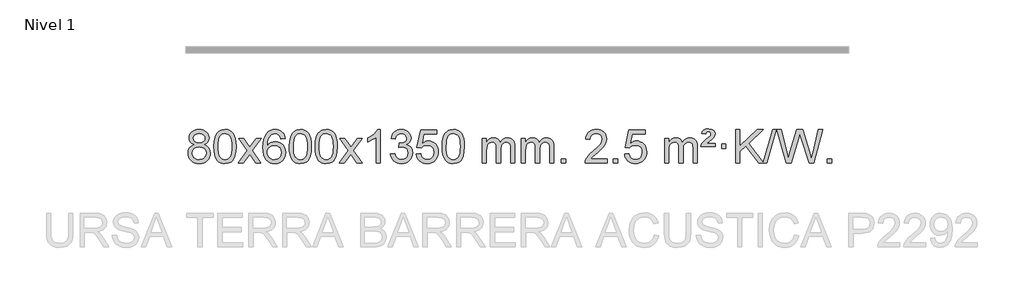
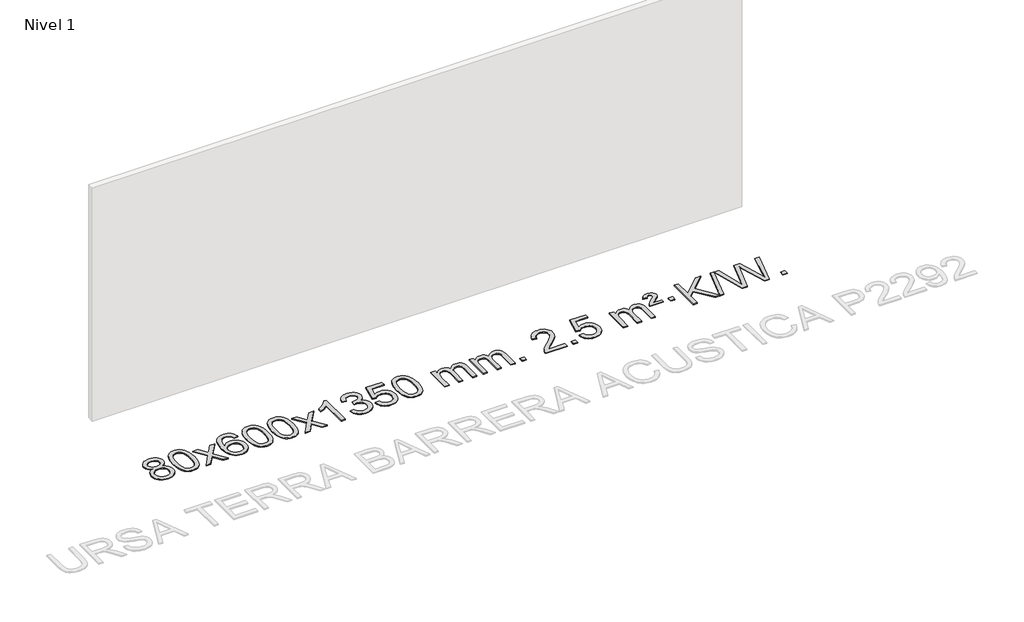
# One storey, part 2 of 2: 1 proxy.
"""IFC4 building model written with IfcOpenShell, lengths in millimetres."""

from ifc_helpers import new_model, si_unit, origin, origin_with_axes, place, context, project, spatial, polyline, outline, extrude, element, save

model = new_model("IFC4")

# Units and contexts
model_context = context("Model", 3, world=origin())
ifc_project = project(units=[si_unit("LENGTHUNIT", "METRE", prefix="MILLI")], contexts=[model_context])

# Site, building, storey
site = spatial("IfcSite", under=ifc_project)
building = spatial("IfcBuilding", under=site)
storey = spatial("IfcBuildingStorey", under=building, Name="Nivel 1", Elevation=0.0)

# Proxy
placement = place(None, origin())
element("IfcBuildingElementProxy", 1, Name="Texto de modelo 1", ObjectType="Texto de modelo 1", at=placement, inside=storey, context=model_context, shape_type="SweptSolid", body=[
    extrude(outline(polyline([(-129.161994, 2829.7383553), (-156.0541678, 2842.9821071), (-174.9265142, 2860.9347485), (-186.0733386, 2883.2283974), (-189.7889468, 2909.4951719), (-187.7655958, 2929.9800676), (-181.6955429, 2948.7604435), (-171.578788, 2965.8362994), (-157.4153312, 2981.2076355), (-139.8857541, 2993.911827), (-119.6706385, 3002.9862496), (-96.7699843, 3008.4309031), (-71.1837915, 3010.2457876), (-45.4749714, 3008.3879835), (-22.402639, 3002.8145713), (-1.9667941, 2993.5255509), (15.8325631, 2980.5209224), (30.2535373, 2964.8491494), (40.5542331, 2947.5586956), (46.7346507, 2928.6495611), (48.7947898, 2908.1217457), (45.1282326, 2882.7010999), (34.128561, 2860.7875957), (15.6731475, 2842.9453189), (-10.360635, 2829.7383553), (20.5537153, 2813.8090649), (43.0558307, 2790.3504564), (56.7778291, 2760.4907011), (61.3518286, 2725.3579705), (59.083223, 2700.3052067), (52.277406, 2677.3371074), (40.9343779, 2656.4536728), (25.0541384, 2637.6549029), (5.4705535, 2622.11802), (-16.9825109, 2611.0202464), (-42.3050549, 2604.3615823), (-70.4970785, 2602.1420276), (-98.689102, 2604.3707794), (-124.011646, 2611.0570346), (-146.4647105, 2622.2007934), (-166.0482954, 2637.8020557), (-181.9285348, 2656.73265), (-193.271563, 2677.864405), (-200.0773799, 2701.1973205), (-202.3459855, 2726.7313967), (-197.5880451, 2763.2252906), (-183.3142237, 2793.2444614), (-160.2602853, 2815.7588395), (-129.161994, 2829.7383553)]), holes=[polyline([(-139.5607917, 2908.0236439), (-135.1094196, 2886.097877), (-121.7553031, 2868.586694), (-99.8908499, 2857.1087757), (-69.9084673, 2853.282803), (-40.6250605, 2857.0842503), (-19.091701, 2868.4885921), (-5.8479492, 2885.4111639), (-1.4333652, 2905.767301), (-5.995102, 2926.8959902), (-19.6803122, 2944.370385), (-41.5079773, 2956.1058206), (-70.4970785, 2960.0176325), (-99.6701207, 2956.1916598), (-121.4609975, 2944.7137415), (-135.0358432, 2927.8892716), (-139.5607917, 2908.0236439)]), polyline([(-152.1178305, 2728.4972302), (-150.0209031, 2709.2815274), (-143.730121, 2690.6789611), (-132.1173127, 2674.4553651), (-114.0543067, 2662.376573), (-92.4228454, 2654.8717803), (-70.104671, 2652.3701827), (-35.9161709, 2657.6308952), (-22.0224942, 2664.2067859), (-10.2625331, 2673.4130328), (5.7771219, 2697.3130998), (11.1236735, 2726.9276004), (5.6054436, 2757.0448731), (-10.9492462, 2781.4722375), (-23.0280384, 2790.9145421), (-37.1914952, 2797.6590453), (-71.7724027, 2803.0546479), (-105.4826562, 2797.7326217), (-119.2199831, 2791.080089), (-130.8787766, 2781.7665431), (-146.808067, 2757.8051625), (-152.1178305, 2728.4972302)])]), origin_with_axes(), (0.0, 0.0, 1.0), 10.0),
    extrude(outline(polyline([(105.3014643, 2806.0958057), (108.992547, 2870.4138412), (120.065795, 2921.7088541), (138.4108439, 2960.7656593), (150.2689068, 2975.9990395), (163.9173289, 2988.3690716), (179.4020952, 2997.9401349), (196.769191, 3004.7766086), (237.1503714, 3010.2457876), (268.1015099, 3007.008426), (295.8152869, 2997.2963414), (318.9918526, 2981.4896783), (336.3313573, 2959.9685816), (349.4279563, 2932.9169922), (359.8758049, 2900.5188512), (366.7184101, 2859.3773814), (368.9992784, 2806.0958057), (365.3449839, 2742.1456523), (354.3821005, 2690.9732667), (336.1474163, 2651.8796734), (324.3169444, 2636.6003078), (310.6777195, 2624.1658964), (295.174559, 2614.5304538), (277.7522809, 2607.6479948), (237.1503714, 2602.1420276), (209.4856453, 2604.5332606), (184.960179, 2611.7069595), (163.5739723, 2623.6631243), (145.3270254, 2640.4017551), (127.8158424, 2670.6600492), (115.3078546, 2708.3618224), (107.8030619, 2753.5070745), (105.3014643, 2806.0958057)]), holes=[polyline([(155.5296194, 2806.1939076), (157.0011473, 2762.5293805), (161.4157313, 2727.1851178), (168.7733712, 2700.1611196), (179.0740671, 2681.4573858), (191.533004, 2668.7317344), (205.365367, 2659.6419835), (220.5711561, 2654.1881329), (237.1503714, 2652.3701827), (253.7295866, 2654.1942643), (268.9353757, 2659.6665089), (282.7677388, 2668.7869167), (295.2266757, 2681.5554876), (305.5273715, 2700.2898783), (312.8850114, 2727.3077451), (317.2995954, 2762.6090882), (318.7711234, 2806.1939076), (317.3486463, 2848.7026722), (313.0812152, 2883.4246011), (305.9688299, 2910.3596945), (296.0114906, 2929.5079524), (283.7610201, 2942.8559375), (269.7692416, 2952.3902125), (254.0361549, 2958.1107775), (236.5617602, 2960.0176325), (220.068384, 2958.3376381), (205.1201123, 2953.2976548), (191.716945, 2944.8976825), (179.858882, 2933.1377214), (169.2148296, 2912.291075), (161.611935, 2884.1848906), (157.0501983, 2848.8191681), (155.5296194, 2806.1939076)])]), origin_with_axes(), (0.0, 0.0, 1.0), 10.0),
    extrude(outline(polyline([(394.113356, 2608.420547), (501.4367967, 2756.7505675), (400.3918754, 2903.5109581), (460.8226244, 2903.5109581), (509.5792515, 2832.877615), (532.3388843, 2799.5229808), (552.0573592, 2826.7952993), (607.583015, 2903.5109581), (668.0137641, 2903.5109581), (561.8675458, 2756.7505675), (664.0896895, 2608.420547), (603.6589404, 2608.420547), (542.1490708, 2697.5951426), (530.8673563, 2713.8800523), (454.544105, 2608.420547), (394.113356, 2608.420547)])), origin_with_axes(), (0.0, 0.0, 1.0), 10.0),
    extrude(outline(polyline([(952.9015812, 2903.5109581), (902.6734261, 2897.2324387), (894.5800222, 2922.125787), (883.6416642, 2939.1219352), (860.857506, 2954.7937082), (833.3154073, 2960.0176325), (809.9671633, 2956.9764747), (787.9923455, 2947.8530012), (769.1199991, 2928.6372983), (753.7057435, 2902.1865829), (743.2946831, 2864.772984), (739.4319221, 2812.6686307), (759.5795927, 2836.1762902), (783.7249143, 2852.7432427), (810.5189863, 2862.565692), (838.612908, 2865.8398418), (862.7459669, 2863.601893), (885.0150903, 2856.8880466), (905.4202783, 2845.6983025), (923.9615309, 2830.0326609), (939.3696551, 2810.8230894), (950.3754581, 2789.0015557), (956.97894, 2764.5680599), (959.1801006, 2737.5226018), (955.0352967, 2701.5560055), (942.6008853, 2668.213634), (922.9069358, 2639.9357713), (896.9835179, 2619.1627013), (866.0078539, 2606.397196), (831.1571662, 2602.1420276), (801.2146375, 2604.9624563), (774.1722452, 2613.4237421), (750.0299893, 2627.5258853), (728.7878697, 2647.2688857), (711.4698248, 2673.4866092), (699.0997927, 2707.0129217), (691.6777734, 2747.8478232), (689.203767, 2795.9913136), (691.9506193, 2849.9657337), (700.191176, 2896.0306908), (713.9254371, 2934.1861851), (733.1534027, 2964.4322165), (753.9939177, 2984.4756538), (778.1576335, 2998.7923948), (805.6445499, 3007.3824394), (836.454667, 3010.2457876), (859.5883131, 3008.4738227), (880.52693, 3003.1579278), (899.2705176, 2994.2981031), (915.8190761, 2981.8943485), (929.7250155, 2966.3635969), (940.5407461, 2948.1227814), (948.266268, 2927.1719017), (952.9015812, 2903.5109581)]), holes=[polyline([(739.4319221, 2738.3074168), (742.3381899, 2716.0505561), (751.0569932, 2694.7992395), (764.5950506, 2676.527767), (781.9590807, 2663.2104388), (802.9160917, 2655.0802467), (827.2330916, 2652.3701827), (860.3792594, 2657.9865145), (874.2943959, 2665.0069292), (886.4375674, 2674.8355099), (896.2876078, 2687.0737176), (903.323351, 2701.3230135), (908.9519455, 2735.8548701), (903.3969274, 2769.0010379), (896.4531547, 2782.6218688), (886.731873, 2794.274531), (874.5519133, 2803.6095366), (860.2321066, 2810.2773978), (825.1729524, 2815.6116867), (792.0758356, 2810.2773978), (764.3988468, 2794.274531), (753.4758173, 2782.7751529), (745.6736533, 2769.6141746), (740.9923549, 2754.7915958), (739.4319221, 2738.3074168)])]), origin_with_axes(), (0.0, 0.0, 1.0), 10.0),
    extrude(outline(polyline([(1003.1297362, 2806.0958057), (1006.8208189, 2870.4138412), (1017.894067, 2921.7088541), (1036.2391158, 2960.7656593), (1048.0971788, 2975.9990395), (1061.7456008, 2988.3690716), (1077.2303671, 2997.9401349), (1094.597463, 3004.7766086), (1134.9786433, 3010.2457876), (1165.9297818, 3007.008426), (1193.6435588, 2997.2963414), (1216.8201245, 2981.4896783), (1234.1596292, 2959.9685816), (1247.2562282, 2932.9169922), (1257.7040769, 2900.5188512), (1264.546682, 2859.3773814), (1266.8275504, 2806.0958057), (1263.1732559, 2742.1456523), (1252.2103725, 2690.9732667), (1233.9756882, 2651.8796734), (1222.1452164, 2636.6003078), (1208.5059914, 2624.1658964), (1193.002831, 2614.5304538), (1175.5805529, 2607.6479948), (1134.9786433, 2602.1420276), (1107.3139173, 2604.5332606), (1082.7884509, 2611.7069595), (1061.4022443, 2623.6631243), (1043.1552973, 2640.4017551), (1025.6441144, 2670.6600492), (1013.1361265, 2708.3618224), (1005.6313338, 2753.5070745), (1003.1297362, 2806.0958057)]), holes=[polyline([(1053.3578913, 2806.1939076), (1054.8294193, 2762.5293805), (1059.2440032, 2727.1851178), (1066.6016432, 2700.1611196), (1076.902339, 2681.4573858), (1089.3612759, 2668.7317344), (1103.1936389, 2659.6419835), (1118.3994281, 2654.1881329), (1134.9786433, 2652.3701827), (1151.5578586, 2654.1942643), (1166.7636477, 2659.6665089), (1180.5960107, 2668.7869167), (1193.0549476, 2681.5554876), (1203.3556435, 2700.2898783), (1210.7132834, 2727.3077451), (1215.1278673, 2762.6090882), (1216.5993953, 2806.1939076), (1215.1769183, 2848.7026722), (1210.9094871, 2883.4246011), (1203.7971019, 2910.3596945), (1193.8397625, 2929.5079524), (1181.5892921, 2942.8559375), (1167.5975136, 2952.3902125), (1151.8644269, 2958.1107775), (1134.3900321, 2960.0176325), (1117.896656, 2958.3376381), (1102.9483843, 2953.2976548), (1089.5452169, 2944.8976825), (1077.6871539, 2933.1377214), (1067.0431015, 2912.291075), (1059.440207, 2884.1848906), (1054.8784702, 2848.8191681), (1053.3578913, 2806.1939076)])]), origin_with_axes(), (0.0, 0.0, 1.0), 10.0),
    extrude(outline(polyline([(1310.7771861, 2806.0958057), (1314.4682688, 2870.4138412), (1325.5415168, 2921.7088541), (1343.8865656, 2960.7656593), (1355.7446286, 2975.9990395), (1369.3930506, 2988.3690716), (1384.877817, 2997.9401349), (1402.2449128, 3004.7766086), (1442.6260932, 3010.2457876), (1473.5772317, 3007.008426), (1501.2910087, 2997.2963414), (1524.4675743, 2981.4896783), (1541.8070791, 2959.9685816), (1554.9036781, 2932.9169922), (1565.3515267, 2900.5188512), (1572.1941319, 2859.3773814), (1574.4750002, 2806.0958057), (1570.8207057, 2742.1456523), (1559.8578223, 2690.9732667), (1541.6231381, 2651.8796734), (1529.7926662, 2636.6003078), (1516.1534413, 2624.1658964), (1500.6502808, 2614.5304538), (1483.2280027, 2607.6479948), (1442.6260932, 2602.1420276), (1414.9613671, 2604.5332606), (1390.4359008, 2611.7069595), (1369.0496941, 2623.6631243), (1350.8027472, 2640.4017551), (1333.2915642, 2670.6600492), (1320.7835764, 2708.3618224), (1313.2787836, 2753.5070745), (1310.7771861, 2806.0958057)]), holes=[polyline([(1361.0053412, 2806.1939076), (1362.4768691, 2762.5293805), (1366.8914531, 2727.1851178), (1374.249093, 2700.1611196), (1384.5497888, 2681.4573858), (1397.0087258, 2668.7317344), (1410.8410888, 2659.6419835), (1426.0468779, 2654.1881329), (1442.6260932, 2652.3701827), (1459.2053084, 2654.1942643), (1474.4110975, 2659.6665089), (1488.2434606, 2668.7869167), (1500.7023975, 2681.5554876), (1511.0030933, 2700.2898783), (1518.3607332, 2727.3077451), (1522.7753172, 2762.6090882), (1524.2468452, 2806.1939076), (1522.8243681, 2848.7026722), (1518.556937, 2883.4246011), (1511.4445517, 2910.3596945), (1501.4872124, 2929.5079524), (1489.2367419, 2942.8559375), (1475.2449634, 2952.3902125), (1459.5118767, 2958.1107775), (1442.037482, 2960.0176325), (1425.5441058, 2958.3376381), (1410.5958341, 2953.2976548), (1397.1926667, 2944.8976825), (1385.3346038, 2933.1377214), (1374.6905514, 2912.291075), (1367.0876568, 2884.1848906), (1362.5259201, 2848.8191681), (1361.0053412, 2806.1939076)])]), origin_with_axes(), (0.0, 0.0, 1.0), 10.0),
    extrude(outline(polyline([(1599.5890778, 2608.420547), (1706.9125185, 2756.7505675), (1605.8675971, 2903.5109581), (1666.2983462, 2903.5109581), (1715.0549733, 2832.877615), (1737.8146061, 2799.5229808), (1757.533081, 2826.7952993), (1813.0587368, 2903.5109581), (1873.4894859, 2903.5109581), (1767.3432676, 2756.7505675), (1869.5654113, 2608.420547), (1809.1346622, 2608.420547), (1747.6247926, 2697.5951426), (1736.3430781, 2713.8800523), (1660.0198268, 2608.420547), (1599.5890778, 2608.420547)])), origin_with_axes(), (0.0, 0.0, 1.0), 10.0),
    extrude(outline(polyline([(2089.3135897, 2608.420547), (2039.0854347, 2608.420547), (2039.0854347, 2921.5617013), (2018.1161609, 2904.6023413), (1991.50603, 2887.6675068), (1938.6291245, 2862.3081746), (1938.6291245, 2909.7894775), (1978.0783371, 2931.2492605), (2012.2545745, 2956.780271), (2039.1957993, 2983.9299622), (2056.9399742, 3010.2457876), (2089.3135897, 3010.2457876), (2089.3135897, 2608.420547)])), origin_with_axes(), (0.0, 0.0, 1.0), 10.0),
    extrude(outline(polyline([(2208.605458, 2715.1553765), (2258.8336131, 2721.4338959), (2270.0785394, 2689.8696207), (2286.5473901, 2668.5569905), (2309.0495055, 2656.4168846), (2338.3942259, 2652.3701827), (2372.8279807, 2657.9374636), (2387.1018021, 2664.8965646), (2399.4135862, 2674.6393061), (2416.4097344, 2699.5571799), (2422.0751171, 2729.7725545), (2416.4587853, 2758.4550874), (2399.6097899, 2781.7174922), (2374.1033049, 2797.1317478), (2342.5145043, 2802.269833), (2307.2959346, 2796.7761285), (2312.8877409, 2847.0042836), (2320.9320939, 2846.4156724), (2351.0248411, 2850.020916), (2377.9292777, 2860.8366466), (2389.0025257, 2869.0158897), (2396.9119886, 2879.1326445), (2401.6576664, 2891.1869112), (2403.239559, 2905.1786898), (2398.6532968, 2926.8714648), (2384.8945101, 2944.4684869), (2363.9007109, 2956.1303461), (2337.609411, 2960.0176325), (2311.2690602, 2956.0935579), (2289.7357007, 2944.3213341), (2274.0148768, 2924.700961), (2265.1121325, 2897.2324387), (2214.8839774, 2903.5109581), (2220.8375344, 2927.4907328), (2229.6728336, 2948.6132907), (2241.3898752, 2966.8786317), (2255.988659, 2982.286756), (2273.0093327, 2994.5188323), (2291.9920436, 3003.2560297), (2312.9367919, 3008.4983481), (2335.8435774, 3010.2457876), (2367.4201154, 3006.7999596), (2396.4214793, 2996.4624755), (2420.8733693, 2980.1530404), (2438.8014852, 2958.7913592), (2449.8011568, 2934.1800537), (2453.467714, 2908.1217457), (2449.9850978, 2883.8415341), (2439.5372491, 2861.8176653), (2422.2713208, 2843.0556835), (2398.3344657, 2828.5611329), (2429.7761135, 2815.8569414), (2453.0753066, 2794.22548), (2467.4962808, 2764.8439714), (2472.3032722, 2728.8896377), (2469.8997765, 2703.4076782), (2462.6892894, 2679.9368069), (2450.6718109, 2658.4770238), (2433.847341, 2639.028329), (2413.3501825, 2622.8905722), (2390.3146382, 2611.363603), (2364.7407082, 2604.4474215), (2336.6283924, 2602.1420276), (2311.2200092, 2604.1101963), (2288.067969, 2610.0147023), (2267.1722717, 2619.8555457), (2248.5329173, 2633.6327264), (2232.9040638, 2650.5369041), (2221.0398695, 2669.7587383), (2212.9403342, 2691.2982292), (2208.605458, 2715.1553765)])), origin_with_axes(), (0.0, 0.0, 1.0), 10.0),
    extrude(outline(polyline([(2516.2529079, 2715.1553765), (2566.481063, 2721.4338959), (2575.7026383, 2691.2798351), (2591.7913442, 2669.6851619), (2614.6736043, 2656.6989275), (2644.2758422, 2652.3701827), (2663.4057059, 2653.8754332), (2680.2792268, 2658.3911847), (2694.8964047, 2665.9174372), (2707.2572398, 2676.4541906), (2717.0858204, 2689.480279), (2724.1062352, 2704.4745359), (2729.7225669, 2740.3675559), (2724.4618544, 2774.1636486), (2717.8859638, 2788.0818507), (2708.6797168, 2800.0134901), (2696.8124568, 2809.5845533), (2682.2535268, 2816.4210271), (2645.0606571, 2821.8902061), (2620.6946063, 2819.7074396), (2600.9638686, 2813.1591401), (2585.2062565, 2803.1282243), (2572.7595823, 2790.4976092), (2522.5314273, 2796.7761285), (2566.481063, 3003.9672682), (2761.1151639, 3003.9672682), (2761.1151639, 2953.7391131), (2607.0952352, 2953.7391131), (2585.6109267, 2843.080209), (2603.3367075, 2855.7844006), (2621.491684, 2864.8588231), (2640.0758561, 2870.3034766), (2659.0892239, 2872.1183612), (2683.5503109, 2869.8681496), (2706.0187037, 2863.117515), (2726.4944024, 2851.8664573), (2744.977407, 2836.1149766), (2760.2782323, 2816.8256973), (2771.2073933, 2794.961244), (2777.7648898, 2770.5216168), (2779.950722, 2743.5068156), (2777.9825533, 2717.4852958), (2772.0780473, 2693.2786606), (2762.237204, 2670.8869098), (2748.4600232, 2650.3100435), (2727.5888514, 2629.2365366), (2703.2350633, 2614.1840316), (2675.398659, 2605.1525286), (2644.0796385, 2602.1420276), (2618.1592862, 2604.0764738), (2594.7466629, 2609.8798123), (2573.8417685, 2619.552043), (2555.4446031, 2633.0931662), (2540.1376464, 2649.8287312), (2528.5033783, 2669.084288), (2520.5417988, 2690.8598364), (2516.2529079, 2715.1553765)])), origin_with_axes(), (0.0, 0.0, 1.0), 10.0),
    extrude(outline(polyline([(2823.9003577, 2806.0958057), (2827.5914404, 2870.4138412), (2838.6646885, 2921.7088541), (2857.0097373, 2960.7656593), (2868.8678003, 2975.9990395), (2882.5162223, 2988.3690716), (2898.0009886, 2997.9401349), (2915.3680844, 3004.7766086), (2955.7492648, 3010.2457876), (2986.7004033, 3007.008426), (3014.4141803, 2997.2963414), (3037.590746, 2981.4896783), (3054.9302507, 2959.9685816), (3068.0268497, 2932.9169922), (3078.4746984, 2900.5188512), (3085.3173035, 2859.3773814), (3087.5981719, 2806.0958057), (3083.9438774, 2742.1456523), (3072.9809939, 2690.9732667), (3054.7463097, 2651.8796734), (3042.9158379, 2636.6003078), (3029.2766129, 2624.1658964), (3013.7734525, 2614.5304538), (2996.3511743, 2607.6479948), (2955.7492648, 2602.1420276), (2928.0845387, 2604.5332606), (2903.5590724, 2611.7069595), (2882.1728657, 2623.6631243), (2863.9259188, 2640.4017551), (2846.4147358, 2670.6600492), (2833.906748, 2708.3618224), (2826.4019553, 2753.5070745), (2823.9003577, 2806.0958057)]), holes=[polyline([(2874.1285128, 2806.1939076), (2875.6000408, 2762.5293805), (2880.0146247, 2727.1851178), (2887.3722646, 2700.1611196), (2897.6729605, 2681.4573858), (2910.1318974, 2668.7317344), (2923.9642604, 2659.6419835), (2939.1700495, 2654.1881329), (2955.7492648, 2652.3701827), (2972.32848, 2654.1942643), (2987.5342692, 2659.6665089), (3001.3666322, 2668.7869167), (3013.8255691, 2681.5554876), (3024.126265, 2700.2898783), (3031.4839049, 2727.3077451), (3035.8984888, 2762.6090882), (3037.3700168, 2806.1939076), (3035.9475397, 2848.7026722), (3031.6801086, 2883.4246011), (3024.5677233, 2910.3596945), (3014.610384, 2929.5079524), (3002.3599136, 2942.8559375), (2988.368135, 2952.3902125), (2972.6350484, 2958.1107775), (2955.1606536, 2960.0176325), (2938.6672775, 2958.3376381), (2923.7190057, 2953.2976548), (2910.3158384, 2944.8976825), (2898.4577754, 2933.1377214), (2887.813723, 2912.291075), (2880.2108284, 2884.1848906), (2875.6490917, 2848.8191681), (2874.1285128, 2806.1939076)])]), origin_with_axes(), (0.0, 0.0, 1.0), 10.0),
    extrude(outline(polyline([(3301.0678309, 2608.420547), (3301.0678309, 2903.5109581), (3351.295986, 2903.5109581), (3351.295986, 2854.9505347), (3366.4036733, 2877.2564463), (3385.8278426, 2894.7308411), (3408.9063064, 2906.0248184), (3434.9768772, 2909.7894775), (3462.9113833, 2905.951242), (3485.3031341, 2894.4365355), (3502.0295022, 2876.0056476), (3512.9678601, 2851.4188676), (3531.2761208, 2876.9560094), (3552.1595554, 2895.196825), (3575.6181639, 2906.1413143), (3601.6519464, 2909.7894775), (3621.7597632, 2908.2719642), (3639.4089019, 2903.7194245), (3654.5993626, 2896.1318584), (3667.3311453, 2885.5092658), (3677.3957836, 2871.7290194), (3684.5848109, 2854.6684918), (3688.8982273, 2834.3276832), (3690.3360328, 2810.7065934), (3690.3360328, 2608.420547), (3640.1078777, 2608.420547), (3640.1078777, 2789.124183), (3638.942918, 2814.1769469), (3635.4480391, 2831.0627305), (3628.8997396, 2842.6264879), (3618.5745182, 2851.7131732), (3605.2939782, 2857.5992851), (3589.8797226, 2859.5613224), (3562.6687177, 2854.5336018), (3540.4854334, 2839.45044), (3531.8800604, 2827.8805512), (3525.7333654, 2813.2817674), (3520.8160094, 2774.9975144), (3520.8160094, 2608.420547), (3470.5878543, 2608.420547), (3470.5878543, 2794.7159894), (3467.6815865, 2823.1164794), (3458.9627833, 2843.3745146), (3443.6221041, 2855.5146204), (3420.8502086, 2859.5613224), (3401.4996156, 2856.8635211), (3383.6696016, 2848.7701172), (3368.9543218, 2835.4773144), (3358.9479315, 2817.1813165), (3353.2089724, 2791.7974589), (3351.295986, 2757.2410768), (3351.295986, 2608.420547), (3301.0678309, 2608.420547)])), origin_with_axes(), (0.0, 0.0, 1.0), 10.0),
    extrude(outline(polyline([(3765.6782654, 2608.420547), (3765.6782654, 2903.5109581), (3815.9064204, 2903.5109581), (3815.9064204, 2854.9505347), (3831.0141077, 2877.2564463), (3850.4382771, 2894.7308411), (3873.5167409, 2906.0248184), (3899.5873116, 2909.7894775), (3927.5218178, 2905.951242), (3949.9135685, 2894.4365355), (3966.6399366, 2876.0056476), (3977.5782946, 2851.4188676), (3995.8865552, 2876.9560094), (4016.7699898, 2895.196825), (4040.2285984, 2906.1413143), (4066.2623809, 2909.7894775), (4086.3701976, 2908.2719642), (4104.0193363, 2903.7194245), (4119.209797, 2896.1318584), (4131.9415798, 2885.5092658), (4142.006218, 2871.7290194), (4149.1952453, 2854.6684918), (4153.5086617, 2834.3276832), (4154.9464672, 2810.7065934), (4154.9464672, 2608.420547), (4104.7183121, 2608.420547), (4104.7183121, 2789.124183), (4103.5533525, 2814.1769469), (4100.0584735, 2831.0627305), (4093.510174, 2842.6264879), (4083.1849527, 2851.7131732), (4069.9044126, 2857.5992851), (4054.490157, 2859.5613224), (4027.2791521, 2854.5336018), (4005.0958678, 2839.45044), (3996.4904948, 2827.8805512), (3990.3437998, 2813.2817674), (3985.4264438, 2774.9975144), (3985.4264438, 2608.420547), (3935.1982887, 2608.420547), (3935.1982887, 2794.7159894), (3932.292021, 2823.1164794), (3923.5732177, 2843.3745146), (3908.2325385, 2855.5146204), (3885.460643, 2859.5613224), (3866.11005, 2856.8635211), (3848.280036, 2848.7701172), (3833.5647562, 2835.4773144), (3823.5583659, 2817.1813165), (3817.8194068, 2791.7974589), (3815.9064204, 2757.2410768), (3815.9064204, 2608.420547), (3765.6782654, 2608.420547)])), origin_with_axes(), (0.0, 0.0, 1.0), 10.0),
    extrude(outline(polyline([(4242.8457386, 2608.420547), (4242.8457386, 2658.6487021), (4293.0738936, 2658.6487021), (4293.0738936, 2608.420547), (4242.8457386, 2608.420547)])), origin_with_axes(), (0.0, 0.0, 1.0), 10.0),
    extrude(outline(polyline([(4789.076925, 2658.6487021), (4789.076925, 2608.420547), (4525.3791109, 2608.420547), (4526.4827569, 2626.1034082), (4530.7747135, 2643.0505055), (4543.160074, 2670.1143576), (4561.2843936, 2696.3688693), (4587.5021171, 2723.8496544), (4624.1676893, 2754.5923264), (4678.3689699, 2802.7358169), (4710.8897383, 2838.2732176), (4727.1501225, 2867.115166), (4732.5702506, 2895.1722995), (4727.4566908, 2920.3231653), (4712.1160116, 2941.2311253), (4688.5347757, 2955.3210057), (4658.6995459, 2960.0176325), (4627.3682627, 2955.4313703), (4603.0267373, 2941.6725837), (4587.3181761, 2919.8203932), (4581.8857853, 2890.9539193), (4531.6576303, 2897.2324387), (4535.977178, 2923.161988), (4543.8345243, 2945.8173875), (4555.2296691, 2965.1986373), (4570.1626124, 2981.3057373), (4588.2899977, 2993.9670093), (4609.2684685, 3003.010775), (4633.0980247, 3008.4370345), (4659.7786664, 3010.2457876), (4686.6984314, 3008.2346994), (4710.6567464, 3002.2014346), (4731.6536112, 2992.1459934), (4749.6890261, 2978.0683758), (4764.1743796, 2961.0109139), (4774.5210607, 2942.0159402), (4780.7290694, 2921.0834547), (4782.7984056, 2898.2134573), (4780.5665882, 2874.1907631), (4773.8711359, 2850.5850017), (4761.9885474, 2826.5745701), (4744.1953216, 2801.3378653), (4715.8316198, 2771.2083299), (4672.2376033, 2732.5194067), (4614.4556046, 2684.204238), (4591.7940737, 2658.6487021), (4789.076925, 2658.6487021)])), origin_with_axes(), (0.0, 0.0, 1.0), 10.0),
    extrude(outline(polyline([(4864.4191576, 2608.420547), (4864.4191576, 2658.6487021), (4914.6473127, 2658.6487021), (4914.6473127, 2608.420547), (4864.4191576, 2608.420547)])), origin_with_axes(), (0.0, 0.0, 1.0), 10.0),
    extrude(outline(polyline([(4996.2680647, 2715.1553765), (5046.4962198, 2721.4338959), (5055.7177951, 2691.2798351), (5071.806501, 2669.6851619), (5094.6887611, 2656.6989275), (5124.290999, 2652.3701827), (5143.4208628, 2653.8754332), (5160.2943836, 2658.3911847), (5174.9115616, 2665.9174372), (5187.2723966, 2676.4541906), (5197.1009772, 2689.480279), (5204.121392, 2704.4745359), (5209.7377238, 2740.3675559), (5204.4770112, 2774.1636486), (5197.9011206, 2788.0818507), (5188.6948736, 2800.0134901), (5176.8276136, 2809.5845533), (5162.2686837, 2816.4210271), (5125.0758139, 2821.8902061), (5100.7097631, 2819.7074396), (5080.9790255, 2813.1591401), (5065.2214133, 2803.1282243), (5052.7747392, 2790.4976092), (5002.5465841, 2796.7761285), (5046.4962198, 3003.9672682), (5241.1303207, 3003.9672682), (5241.1303207, 2953.7391131), (5087.110392, 2953.7391131), (5065.6260835, 2843.080209), (5083.3518643, 2855.7844006), (5101.5068408, 2864.8588231), (5120.0910129, 2870.3034766), (5139.1043807, 2872.1183612), (5163.5654677, 2869.8681496), (5186.0338605, 2863.117515), (5206.5095593, 2851.8664573), (5224.9925638, 2836.1149766), (5240.2933891, 2816.8256973), (5251.2225501, 2794.961244), (5257.7800467, 2770.5216168), (5259.9658788, 2743.5068156), (5257.9977102, 2717.4852958), (5252.0932041, 2693.2786606), (5242.2523608, 2670.8869098), (5228.4751801, 2650.3100435), (5207.6040082, 2629.2365366), (5183.2502201, 2614.1840316), (5155.4138158, 2605.1525286), (5124.0947953, 2602.1420276), (5098.174443, 2604.0764738), (5074.7618197, 2609.8798123), (5053.8569254, 2619.552043), (5035.4597599, 2633.0931662), (5020.1528032, 2649.8287312), (5008.5185351, 2669.084288), (5000.5569556, 2690.8598364), (4996.2680647, 2715.1553765)])), origin_with_axes(), (0.0, 0.0, 1.0), 10.0),
    extrude(outline(polyline([(5473.4355379, 2608.420547), (5473.4355379, 2903.5109581), (5523.663693, 2903.5109581), (5523.663693, 2854.9505347), (5538.7713803, 2877.2564463), (5558.1955496, 2894.7308411), (5581.2740134, 2906.0248184), (5607.3445842, 2909.7894775), (5635.2790903, 2905.951242), (5657.6708411, 2894.4365355), (5674.3972091, 2876.0056476), (5685.3355671, 2851.4188676), (5703.6438278, 2876.9560094), (5724.5272623, 2895.196825), (5747.9858709, 2906.1413143), (5774.0196534, 2909.7894775), (5794.1274702, 2908.2719642), (5811.7766089, 2903.7194245), (5826.9670696, 2896.1318584), (5839.6988523, 2885.5092658), (5849.7634906, 2871.7290194), (5856.9525179, 2854.6684918), (5861.2659343, 2834.3276832), (5862.7037397, 2810.7065934), (5862.7037397, 2608.420547), (5812.4755847, 2608.420547), (5812.4755847, 2789.124183), (5811.310625, 2814.1769469), (5807.8157461, 2831.0627305), (5801.2674465, 2842.6264879), (5790.9422252, 2851.7131732), (5777.6616852, 2857.5992851), (5762.2474296, 2859.5613224), (5735.0364247, 2854.5336018), (5712.8531404, 2839.45044), (5704.2477674, 2827.8805512), (5698.1010724, 2813.2817674), (5693.1837164, 2774.9975144), (5693.1837164, 2608.420547), (5642.9555613, 2608.420547), (5642.9555613, 2794.7159894), (5640.0492935, 2823.1164794), (5631.3304902, 2843.3745146), (5615.989811, 2855.5146204), (5593.2179155, 2859.5613224), (5573.8673226, 2856.8635211), (5556.0373086, 2848.7701172), (5541.3220287, 2835.4773144), (5531.3156385, 2817.1813165), (5525.5766794, 2791.7974589), (5523.663693, 2757.2410768), (5523.663693, 2608.420547), (5473.4355379, 2608.420547)])), origin_with_axes(), (0.0, 0.0, 1.0), 10.0),
    extrude(outline(polyline([(5906.6533754, 2809.3331673), (5910.4793482, 2825.1520931), (5918.8180067, 2841.0200698), (5940.3268407, 2866.1586728), (5972.2835234, 2893.8969753), (6016.4293628, 2931.273786), (6023.5662735, 2942.8007552), (6025.9452437, 2954.6220299), (6024.0567828, 2966.7130848), (6018.3914001, 2976.4987459), (6009.022672, 2982.973469), (5996.0241748, 2985.1317101), (5983.5897634, 2983.5130293), (5974.73607, 2978.656987), (5968.3103978, 2969.1901569), (5963.1600499, 2953.7391131), (5912.9318948, 2960.0176325), (5923.7721509, 2985.2298119), (5940.4004171, 3002.7900458), (5964.165594, 3013.0907417), (5996.4165822, 3016.524307), (6032.1992376, 3012.3917659), (6056.9454332, 2999.9941427), (6071.3664074, 2981.6613566), (6076.1733988, 2959.7233269), (6072.0776459, 2936.8165414), (6059.7903873, 2915.1850801), (6039.262572, 2895.3685032), (6002.7932035, 2867.3113697), (5977.1886166, 2840.7257642), (6076.1733988, 2840.7257642), (6076.1733988, 2809.3331673), (5906.6533754, 2809.3331673)])), origin_with_axes(), (0.0, 0.0, 1.0), 10.0),
    extrude(outline(polyline([(6151.5156314, 2784.2190898), (6151.5156314, 2834.4472448), (6201.7437865, 2834.4472448), (6201.7437865, 2784.2190898), (6151.5156314, 2784.2190898)])), origin_with_axes(), (0.0, 0.0, 1.0), 10.0),
    extrude(outline(polyline([(6592.3854144, 2608.420547), (6438.954097, 2811.0990009), (6371.2638099, 2746.5479735), (6371.2638099, 2608.420547), (6321.0356548, 2608.420547), (6321.0356548, 3010.2457876), (6371.2638099, 3010.2457876), (6371.2638099, 2813.5515475), (6577.2777272, 3010.2457876), (6647.5186628, 3010.2457876), (6474.5650741, 2845.0422463), (6649.218684, 2614.4650668), (6760.5320117, 3010.2457876), (6805.8550735, 3010.2457876), (6692.8417246, 2608.420547), (6653.7971822, 2608.420547), (6647.5186628, 2608.420547), (6592.3854144, 2608.420547)])), origin_with_axes(), (0.0, 0.0, 1.0), 10.0),
    extrude(outline(polyline([(6920.3399504, 2608.420547), (6810.7601668, 3010.2457876), (6862.5579517, 3010.2457876), (6926.1279605, 2746.155566), (6945.7483335, 2664.6329159), (6966.7421327, 2736.7377869), (7046.4008474, 3010.2457876), (7121.056367, 3010.2457876), (7178.9364675, 2811.9819177), (7203.731714, 2738.4055186), (7222.0031864, 2664.6329159), (7241.0349483, 2743.8011212), (7305.1935683, 3010.2457876), (7356.9913532, 3010.2457876), (7247.3134677, 2608.420547), (7193.6517474, 2608.420547), (7097.3157155, 2918.4224416), (7083.87576, 2961.6853642), (7068.7680727, 2909.5932737), (6980.9669032, 2608.420547), (6920.3399504, 2608.420547)])), origin_with_axes(), (0.0, 0.0, 1.0), 10.0),
    extrude(outline(polyline([(7413.4980277, 2608.420547), (7413.4980277, 2658.6487021), (7463.7261827, 2658.6487021), (7463.7261827, 2608.420547), (7413.4980277, 2608.420547)])), origin_with_axes(), (0.0, 0.0, 1.0), 10.0),
])

save(model, "model.ifc")
